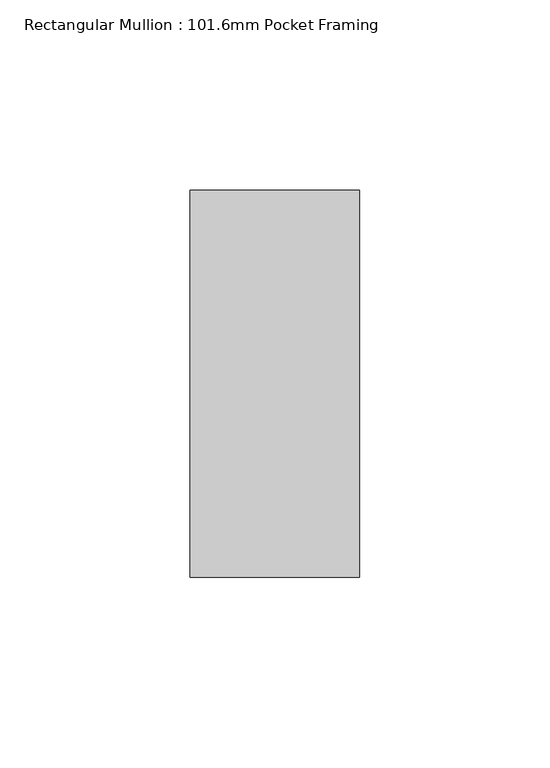
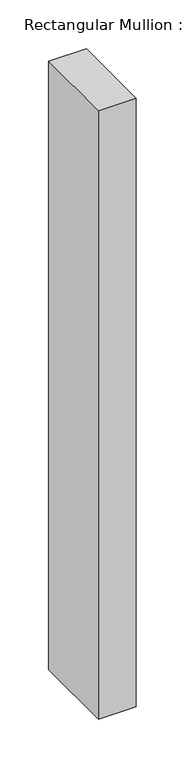
"""IFC4 building model written with IfcOpenShell, lengths in millimetres: member geometry, Rectangular Mullion : 101.6mm Pocket Framing."""

from ifc_helpers import new_model, si_unit, frame, origin, place, context, project, spatial, polyline, outline, extrude, source, transform, mapped, element, save


def rectangular_mullion_101_6mm_pocket_framing_c55e2b81(model_context):
    return source(origin(), model_context, "Body", "SweptSolid", [
        extrude(outline(polyline([(22.3, 50.8), (22.3, -50.8), (-22.2, -50.8), (-22.2, 50.8), (22.3, 50.8)])), frame((0.0, 0.0, -760.0), z_axis=(0.0, 0.0, 1.0), x_axis=(1.0, 0.0, 0.0)), (0.0, 0.0, 1.0), 760.0),
    ])


if __name__ == "__main__":
    model = new_model("IFC4")
    model_context = context("Model", 3, world=origin())
    ifc_project = project(units=[si_unit("LENGTHUNIT", "METRE", prefix="MILLI")], contexts=[model_context])
    site = spatial("IfcSite", under=ifc_project)
    building = spatial("IfcBuilding", under=site)
    placement = place(None, origin())
    rectangular_mullion_101_6mm_pocket_framing_shape = rectangular_mullion_101_6mm_pocket_framing_c55e2b81(model_context)
    element("IfcMember", 1, ObjectType="Rectangular Mullion : 101.6mm Pocket Framing", at=placement, inside=building, context=model_context, shape_type="MappedRepresentation", body=[
        mapped(rectangular_mullion_101_6mm_pocket_framing_shape, transform((0.0, 0.0, 0.0), x_axis=(1.0, 0.0, 0.0), y_axis=(0.0, 1.0, 0.0), z_axis=(0.0, 0.0, 1.0))),
    ])
    save(model, "model.ifc")
